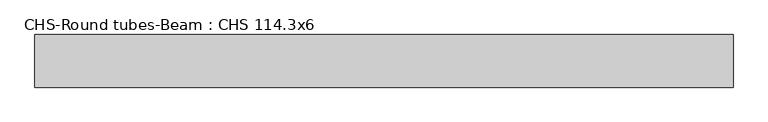
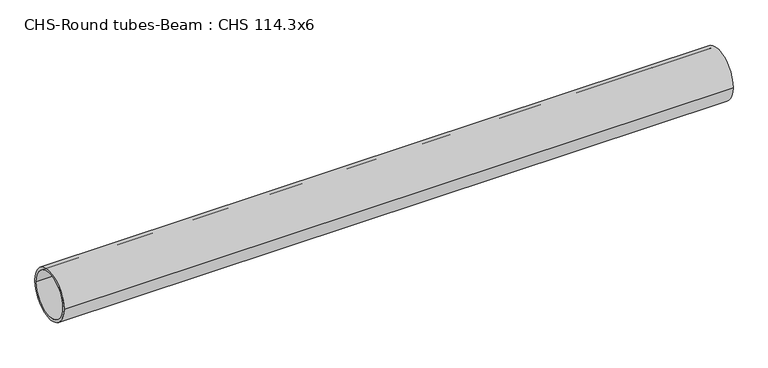
"""IFC4 building model written with IfcOpenShell, lengths in millimetres: beam geometry, CHS-Round tubes-Beam : CHS 114.3x6."""

import ifcopenshell
import ifcopenshell.guid

model = None  # the IFC model being written
_history = None  # IfcOwnerHistory: only IFC2X3 demands one
_inside = {}  # id of a spatial element -> (the spatial element, [elements in it])
_under = {}  # id of a project, library or spatial element -> (it, [spatial elements below it])
_declared = {}  # id of a project -> (the project, [libraries it declares])
_typed = {}  # id of a type object -> (the type object, [elements of that type])
_made_of = {}  # id of a material, layer set ... -> (it, [elements and type objects made of it])


def new_model(schema):
    """Start an empty IFC model of exactly this schema.

    Asked for "IFC4X3", IfcOpenShell would pick the latest addendum, in which some entities
    have other attributes; the version numbers below select the first issue.
    IFC2X3 requires an IfcOwnerHistory on every rooted entity: one is made here for all.
    """
    global model, _history
    if schema == "IFC4X3":
        model = ifcopenshell.file(schema_version=(4, 3, 0, 0))
    else:
        model = ifcopenshell.file(schema=schema)
    _inside.clear()
    _under.clear()
    _declared.clear()
    _typed.clear()
    _made_of.clear()
    _history = None
    if model.schema == "IFC2X3":
        org = make("IfcOrganization", Name="unknown")
        user = make(
            "IfcPersonAndOrganization",
            ThePerson=make("IfcPerson", FamilyName="unknown"),
            TheOrganization=org,
        )
        app = make(
            "IfcApplication",
            ApplicationDeveloper=org,
            Version="unknown",
            ApplicationFullName="unknown",
            ApplicationIdentifier="unknown",
        )
        _history = make(
            "IfcOwnerHistory",
            OwningUser=user,
            OwningApplication=app,
            ChangeAction="ADDED",
            CreationDate=0,
        )
    return model


def make(cls, **values):
    """One entity of the class cls with the attributes given. An attribute that is None is left unset."""
    return model.create_entity(
        cls, **{name: value for name, value in values.items() if value is not None}
    )


def rooted(cls, **values):
    """An entity with a GlobalId (a new one), such as an element, a storey or a relation."""
    return make(cls, GlobalId=ifcopenshell.guid.new(), OwnerHistory=_history, **values)


def si_unit(unit_type, name, prefix=None):
    """IfcSIUnit, for example si_unit("LENGTHUNIT", "METRE", prefix="MILLI")."""
    return make("IfcSIUnit", UnitType=unit_type, Prefix=prefix, Name=name)


def assignment(units):
    """IfcUnitAssignment: the units of a project."""
    return None if units is None else make("IfcUnitAssignment", Units=units)


def point(xyz):
    """IfcCartesianPoint."""
    return None if xyz is None else make("IfcCartesianPoint", Coordinates=xyz)


def direction(xyz):
    """IfcDirection."""
    return None if xyz is None else make("IfcDirection", DirectionRatios=xyz)


def frame(location, z_axis=None, x_axis=None):
    """IfcAxis2Placement3D, a coordinate frame: its origin and axes. An axis left out is left unset."""
    return make(
        "IfcAxis2Placement3D",
        Location=point(location),
        Axis=direction(z_axis),
        RefDirection=direction(x_axis),
    )


def frame_2d(location, x_axis=None):
    """IfcAxis2Placement2D, a coordinate frame in the plane: its origin and x axis."""
    return make(
        "IfcAxis2Placement2D", Location=point(location), RefDirection=direction(x_axis)
    )


def origin():
    """The frame at (0, 0, 0) with its axes left unset."""
    return frame((0.0, 0.0, 0.0))


def origin_2d():
    """The frame at (0, 0) in the plane with its x axis left unset."""
    return frame_2d((0.0, 0.0))


def place(relative_to, where):
    """IfcLocalPlacement: puts the frame where relative to a parent placement (None: the world)."""
    return make(
        "IfcLocalPlacement", PlacementRelTo=relative_to, RelativePlacement=where
    )


def context(
    kind, dimensions, precision=None, world=None, true_north=None, identifier=None
):
    """IfcGeometricRepresentationContext, for example the 3D "Model" context."""
    return make(
        "IfcGeometricRepresentationContext",
        ContextIdentifier=identifier,
        ContextType=kind,
        CoordinateSpaceDimension=dimensions,
        Precision=precision,
        WorldCoordinateSystem=world,
        TrueNorth=true_north,
    )


def project(units=None, contexts=None):
    """IfcProject with its units and contexts."""
    return rooted(
        "IfcProject",
        Name="project",
        RepresentationContexts=contexts,
        UnitsInContext=assignment(units),
    )


def spatial(cls, under=None, at=None, **own):
    """A site, building, storey or space (cls), placed at a placement, below another one or the project."""
    s = rooted(cls, ObjectPlacement=at, **own)
    if under is not None:
        _under.setdefault(under.id(), (under, []))[1].append(s)
    return s


def circle_curve(where, radius):
    """IfcCircle in the frame where."""
    return make("IfcCircle", Position=where, Radius=radius)


def trimmed(basis, trim1, trim2, sense, master):
    """IfcTrimmedCurve: the piece of a basis curve between two trims."""
    return make(
        "IfcTrimmedCurve",
        BasisCurve=basis,
        Trim1=trim1,
        Trim2=trim2,
        SenseAgreement=sense,
        MasterRepresentation=master,
    )


def segment(curve, same_sense, transition):
    """IfcCompositeCurveSegment."""
    return make(
        "IfcCompositeCurveSegment",
        Transition=transition,
        SameSense=same_sense,
        ParentCurve=curve,
    )


def composite_curve(segments, self_intersect=None):
    """IfcCompositeCurve: segments joined end to end."""
    return make("IfcCompositeCurve", Segments=segments, SelfIntersect=self_intersect)


def outline(outer, holes=None, kind="AREA"):
    """IfcArbitraryClosedProfileDef: a profile drawn as a closed curve; with holes, ...WithVoids."""
    if holes is None:
        return make("IfcArbitraryClosedProfileDef", ProfileType=kind, OuterCurve=outer)
    return make(
        "IfcArbitraryProfileDefWithVoids",
        ProfileType=kind,
        OuterCurve=outer,
        InnerCurves=holes,
    )


def extrude(swept, where, along, depth):
    """IfcExtrudedAreaSolid: the profile swept, set in the frame where, extruded along a direction by depth."""
    return make(
        "IfcExtrudedAreaSolid",
        SweptArea=swept,
        Position=where,
        ExtrudedDirection=direction(along),
        Depth=depth,
    )


def shape(context_of_items, identifier, shape_type, items):
    """IfcShapeRepresentation: the items that make up one representation, for example the "Body"."""
    return make(
        "IfcShapeRepresentation",
        ContextOfItems=context_of_items,
        RepresentationIdentifier=identifier,
        RepresentationType=shape_type,
        Items=items,
    )


def source(mapping_origin, context_of_items, identifier, shape_type, items):
    """IfcRepresentationMap: a shape defined once, which mapped items show again and again."""
    return make(
        "IfcRepresentationMap",
        MappingOrigin=mapping_origin,
        MappedRepresentation=shape(context_of_items, identifier, shape_type, items),
    )


def transform(
    local_origin,
    x_axis=None,
    y_axis=None,
    z_axis=None,
    scale=None,
    scale2=None,
    scale3=None,
    uniform=True,
):
    """IfcCartesianTransformationOperator3D, or its non-uniform kind. x_axis, y_axis, z_axis: its Axis1, 2, 3."""
    if uniform:
        return make(
            "IfcCartesianTransformationOperator3D",
            Axis1=direction(x_axis),
            Axis2=direction(y_axis),
            LocalOrigin=point(local_origin),
            Scale=scale,
            Axis3=direction(z_axis),
        )
    return make(
        "IfcCartesianTransformationOperator3DnonUniform",
        Axis1=direction(x_axis),
        Axis2=direction(y_axis),
        LocalOrigin=point(local_origin),
        Scale=scale,
        Axis3=direction(z_axis),
        Scale2=scale2,
        Scale3=scale3,
    )


def mapped(mapping_source, mapping_target):
    """IfcMappedItem: shows the shape of a source again, moved by a transform."""
    return make(
        "IfcMappedItem", MappingSource=mapping_source, MappingTarget=mapping_target
    )


def made_of(thing, what):
    """Note that an element or type object is made of a material, layer set ...; save() writes the relation."""
    if what is not None:
        _made_of.setdefault(what.id(), (what, []))[1].append(thing)
    return thing


def element(
    cls,
    number,
    at=None,
    inside=None,
    cuts=None,
    type_object=None,
    material=None,
    context=None,
    identifier="Body",
    shape_type=None,
    held_by="IfcProductDefinitionShape",
    body=None,
    shapes=None,
    **own,
):
    """One element of the class cls, such as IfcWall. Its Tag is "e" and its number.

    at: its placement. inside: the storey or other place that contains it. cuts: it is an
    opening in that element (IfcRelVoidsElement). A single representation is given by context,
    identifier, shape_type and body (its items); several are given by shapes. held_by: the class
    of the entity that holds the representations. save() writes the other relations.
    """
    e = rooted(cls, Tag="e%d" % number, ObjectPlacement=at, **own)
    if body is not None:
        shapes = [shape(context, identifier, shape_type, body)]
    if shapes is not None:
        e.Representation = make(held_by, Representations=shapes)
    if inside is not None:
        _inside.setdefault(inside.id(), (inside, []))[1].append(e)
    if cuts is not None:
        rooted(
            "IfcRelVoidsElement", RelatingBuildingElement=cuts, RelatedOpeningElement=e
        )
    if type_object is not None:
        _typed.setdefault(type_object.id(), (type_object, []))[1].append(e)
    return made_of(e, material)


def aggregate(whole, parts):
    """IfcRelAggregates: a whole, such as a stair, and the parts it consists of."""
    return rooted("IfcRelAggregates", RelatingObject=whole, RelatedObjects=parts)


def save(model, path):
    """Write the relations noted so far, then the file.

    IfcRelAggregates (storeys below a building ...), IfcRelContainedInSpatialStructure (elements
    in a storey), IfcRelDefinesByType, IfcRelAssociatesMaterial and IfcRelDeclares: one each for
    every whole, place, type object, material and project.
    """
    for whole, parts in _under.values():
        aggregate(whole, parts)
    for where, things in _inside.values():
        rooted(
            "IfcRelContainedInSpatialStructure",
            RelatedElements=things,
            RelatingStructure=where,
        )
    for kind, things in _typed.values():
        rooted("IfcRelDefinesByType", RelatedObjects=things, RelatingType=kind)
    for what, things in _made_of.values():
        rooted("IfcRelAssociatesMaterial", RelatedObjects=things, RelatingMaterial=what)
    for by, libraries in _declared.values():
        rooted("IfcRelDeclares", RelatingContext=by, RelatedDefinitions=libraries)
    model.write(path)


def chs_round_tubes_beam_chs_114_3x6_cdbcb5db(model_context):
    return source(origin(), model_context, "Body", "SweptSolid", [
        extrude(outline(composite_curve([segment(trimmed(circle_curve(origin_2d(), 57.15), [point((57.15, 0.0))], [point((-57.15, 0.0))], False, "CARTESIAN"), True, "CONTINUOUS"), segment(trimmed(circle_curve(origin_2d(), 57.15), [point((-57.15, 0.0))], [point((57.15, 0.0))], False, "CARTESIAN"), True, "CONTINUOUS")], self_intersect=False), holes=[composite_curve([segment(trimmed(circle_curve(origin_2d(), 51.15), [point((51.15, 0.0))], [point((-51.15, 0.0))], True, "CARTESIAN"), True, "CONTINUOUS"), segment(trimmed(circle_curve(origin_2d(), 51.15), [point((-51.15, 0.0))], [point((51.15, 0.0))], True, "CARTESIAN"), True, "CONTINUOUS")], self_intersect=False)]), frame((-736.4143258, 0.0, 0.0), z_axis=(1.0, 0.0, 0.0), x_axis=(0.0, 1.0, 0.0)), (0.0, 0.0, 1.0), 1516.8245798),
    ])


if __name__ == "__main__":
    model = new_model("IFC4")
    model_context = context("Model", 3, world=origin())
    ifc_project = project(units=[si_unit("LENGTHUNIT", "METRE", prefix="MILLI")], contexts=[model_context])
    site = spatial("IfcSite", under=ifc_project)
    building = spatial("IfcBuilding", under=site)
    placement = place(None, origin())
    chs_round_tubes_beam_chs_114_3x6_shape = chs_round_tubes_beam_chs_114_3x6_cdbcb5db(model_context)
    element("IfcBeam", 1, ObjectType="CHS-Round tubes-Beam : CHS 114.3x6", at=placement, inside=building, context=model_context, shape_type="MappedRepresentation", body=[
        mapped(chs_round_tubes_beam_chs_114_3x6_shape, transform((0.0, 0.0, 0.0), x_axis=(1.0, 0.0, 0.0), y_axis=(0.0, 1.0, 0.0), z_axis=(0.0, 0.0, 1.0))),
    ])
    save(model, "model.ifc")
